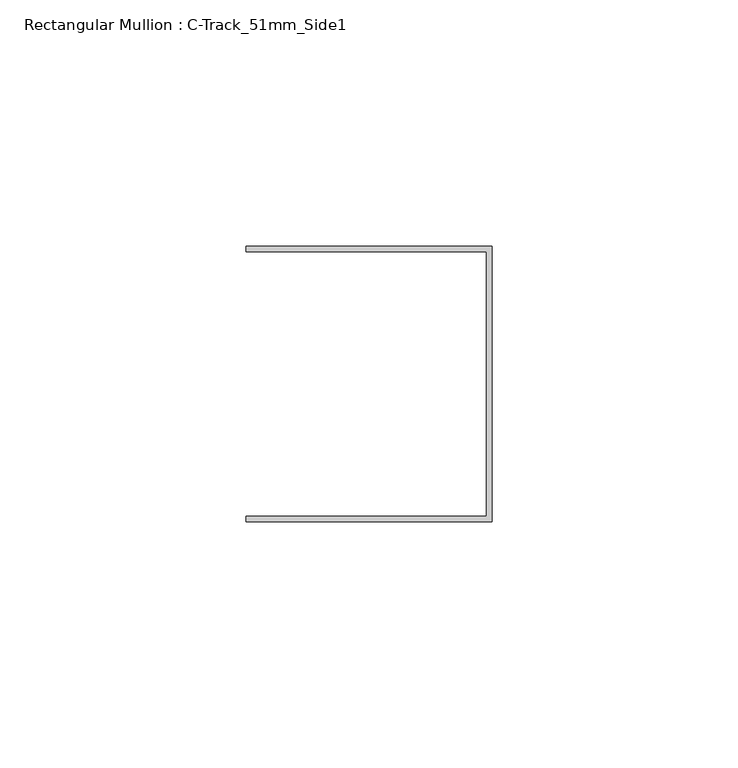
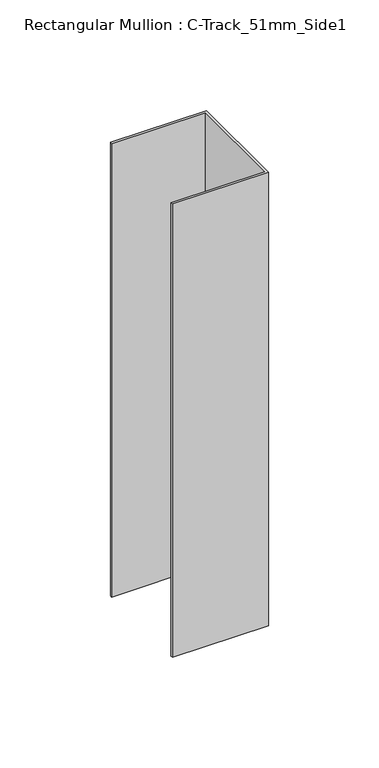
"""IFC4 building model written with IfcOpenShell, lengths in millimetres: member geometry, Rectangular Mullion : C-Track_51mm_Side1."""

import ifcopenshell
import ifcopenshell.guid

model = None  # the IFC model being written
_history = None  # IfcOwnerHistory: only IFC2X3 demands one
_inside = {}  # id of a spatial element -> (the spatial element, [elements in it])
_under = {}  # id of a project, library or spatial element -> (it, [spatial elements below it])
_declared = {}  # id of a project -> (the project, [libraries it declares])
_typed = {}  # id of a type object -> (the type object, [elements of that type])
_made_of = {}  # id of a material, layer set ... -> (it, [elements and type objects made of it])


def new_model(schema):
    """Start an empty IFC model of exactly this schema.

    Asked for "IFC4X3", IfcOpenShell would pick the latest addendum, in which some entities
    have other attributes; the version numbers below select the first issue.
    IFC2X3 requires an IfcOwnerHistory on every rooted entity: one is made here for all.
    """
    global model, _history
    if schema == "IFC4X3":
        model = ifcopenshell.file(schema_version=(4, 3, 0, 0))
    else:
        model = ifcopenshell.file(schema=schema)
    _inside.clear()
    _under.clear()
    _declared.clear()
    _typed.clear()
    _made_of.clear()
    _history = None
    if model.schema == "IFC2X3":
        org = make("IfcOrganization", Name="unknown")
        user = make(
            "IfcPersonAndOrganization",
            ThePerson=make("IfcPerson", FamilyName="unknown"),
            TheOrganization=org,
        )
        app = make(
            "IfcApplication",
            ApplicationDeveloper=org,
            Version="unknown",
            ApplicationFullName="unknown",
            ApplicationIdentifier="unknown",
        )
        _history = make(
            "IfcOwnerHistory",
            OwningUser=user,
            OwningApplication=app,
            ChangeAction="ADDED",
            CreationDate=0,
        )
    return model


def make(cls, **values):
    """One entity of the class cls with the attributes given. An attribute that is None is left unset."""
    return model.create_entity(
        cls, **{name: value for name, value in values.items() if value is not None}
    )


def rooted(cls, **values):
    """An entity with a GlobalId (a new one), such as an element, a storey or a relation."""
    return make(cls, GlobalId=ifcopenshell.guid.new(), OwnerHistory=_history, **values)


def si_unit(unit_type, name, prefix=None):
    """IfcSIUnit, for example si_unit("LENGTHUNIT", "METRE", prefix="MILLI")."""
    return make("IfcSIUnit", UnitType=unit_type, Prefix=prefix, Name=name)


def assignment(units):
    """IfcUnitAssignment: the units of a project."""
    return None if units is None else make("IfcUnitAssignment", Units=units)


def point(xyz):
    """IfcCartesianPoint."""
    return None if xyz is None else make("IfcCartesianPoint", Coordinates=xyz)


def direction(xyz):
    """IfcDirection."""
    return None if xyz is None else make("IfcDirection", DirectionRatios=xyz)


def frame(location, z_axis=None, x_axis=None):
    """IfcAxis2Placement3D, a coordinate frame: its origin and axes. An axis left out is left unset."""
    return make(
        "IfcAxis2Placement3D",
        Location=point(location),
        Axis=direction(z_axis),
        RefDirection=direction(x_axis),
    )


def origin():
    """The frame at (0, 0, 0) with its axes left unset."""
    return frame((0.0, 0.0, 0.0))


def place(relative_to, where):
    """IfcLocalPlacement: puts the frame where relative to a parent placement (None: the world)."""
    return make(
        "IfcLocalPlacement", PlacementRelTo=relative_to, RelativePlacement=where
    )


def context(
    kind, dimensions, precision=None, world=None, true_north=None, identifier=None
):
    """IfcGeometricRepresentationContext, for example the 3D "Model" context."""
    return make(
        "IfcGeometricRepresentationContext",
        ContextIdentifier=identifier,
        ContextType=kind,
        CoordinateSpaceDimension=dimensions,
        Precision=precision,
        WorldCoordinateSystem=world,
        TrueNorth=true_north,
    )


def project(units=None, contexts=None):
    """IfcProject with its units and contexts."""
    return rooted(
        "IfcProject",
        Name="project",
        RepresentationContexts=contexts,
        UnitsInContext=assignment(units),
    )


def spatial(cls, under=None, at=None, **own):
    """A site, building, storey or space (cls), placed at a placement, below another one or the project."""
    s = rooted(cls, ObjectPlacement=at, **own)
    if under is not None:
        _under.setdefault(under.id(), (under, []))[1].append(s)
    return s


def polyline(points):
    """IfcPolyline through the points."""
    return make("IfcPolyline", Points=[point(p) for p in points])


def outline(outer, holes=None, kind="AREA"):
    """IfcArbitraryClosedProfileDef: a profile drawn as a closed curve; with holes, ...WithVoids."""
    if holes is None:
        return make("IfcArbitraryClosedProfileDef", ProfileType=kind, OuterCurve=outer)
    return make(
        "IfcArbitraryProfileDefWithVoids",
        ProfileType=kind,
        OuterCurve=outer,
        InnerCurves=holes,
    )


def extrude(swept, where, along, depth):
    """IfcExtrudedAreaSolid: the profile swept, set in the frame where, extruded along a direction by depth."""
    return make(
        "IfcExtrudedAreaSolid",
        SweptArea=swept,
        Position=where,
        ExtrudedDirection=direction(along),
        Depth=depth,
    )


def shape(context_of_items, identifier, shape_type, items):
    """IfcShapeRepresentation: the items that make up one representation, for example the "Body"."""
    return make(
        "IfcShapeRepresentation",
        ContextOfItems=context_of_items,
        RepresentationIdentifier=identifier,
        RepresentationType=shape_type,
        Items=items,
    )


def source(mapping_origin, context_of_items, identifier, shape_type, items):
    """IfcRepresentationMap: a shape defined once, which mapped items show again and again."""
    return make(
        "IfcRepresentationMap",
        MappingOrigin=mapping_origin,
        MappedRepresentation=shape(context_of_items, identifier, shape_type, items),
    )


def transform(
    local_origin,
    x_axis=None,
    y_axis=None,
    z_axis=None,
    scale=None,
    scale2=None,
    scale3=None,
    uniform=True,
):
    """IfcCartesianTransformationOperator3D, or its non-uniform kind. x_axis, y_axis, z_axis: its Axis1, 2, 3."""
    if uniform:
        return make(
            "IfcCartesianTransformationOperator3D",
            Axis1=direction(x_axis),
            Axis2=direction(y_axis),
            LocalOrigin=point(local_origin),
            Scale=scale,
            Axis3=direction(z_axis),
        )
    return make(
        "IfcCartesianTransformationOperator3DnonUniform",
        Axis1=direction(x_axis),
        Axis2=direction(y_axis),
        LocalOrigin=point(local_origin),
        Scale=scale,
        Axis3=direction(z_axis),
        Scale2=scale2,
        Scale3=scale3,
    )


def mapped(mapping_source, mapping_target):
    """IfcMappedItem: shows the shape of a source again, moved by a transform."""
    return make(
        "IfcMappedItem", MappingSource=mapping_source, MappingTarget=mapping_target
    )


def made_of(thing, what):
    """Note that an element or type object is made of a material, layer set ...; save() writes the relation."""
    if what is not None:
        _made_of.setdefault(what.id(), (what, []))[1].append(thing)
    return thing


def element(
    cls,
    number,
    at=None,
    inside=None,
    cuts=None,
    type_object=None,
    material=None,
    context=None,
    identifier="Body",
    shape_type=None,
    held_by="IfcProductDefinitionShape",
    body=None,
    shapes=None,
    **own,
):
    """One element of the class cls, such as IfcWall. Its Tag is "e" and its number.

    at: its placement. inside: the storey or other place that contains it. cuts: it is an
    opening in that element (IfcRelVoidsElement). A single representation is given by context,
    identifier, shape_type and body (its items); several are given by shapes. held_by: the class
    of the entity that holds the representations. save() writes the other relations.
    """
    e = rooted(cls, Tag="e%d" % number, ObjectPlacement=at, **own)
    if body is not None:
        shapes = [shape(context, identifier, shape_type, body)]
    if shapes is not None:
        e.Representation = make(held_by, Representations=shapes)
    if inside is not None:
        _inside.setdefault(inside.id(), (inside, []))[1].append(e)
    if cuts is not None:
        rooted(
            "IfcRelVoidsElement", RelatingBuildingElement=cuts, RelatedOpeningElement=e
        )
    if type_object is not None:
        _typed.setdefault(type_object.id(), (type_object, []))[1].append(e)
    return made_of(e, material)


def aggregate(whole, parts):
    """IfcRelAggregates: a whole, such as a stair, and the parts it consists of."""
    return rooted("IfcRelAggregates", RelatingObject=whole, RelatedObjects=parts)


def save(model, path):
    """Write the relations noted so far, then the file.

    IfcRelAggregates (storeys below a building ...), IfcRelContainedInSpatialStructure (elements
    in a storey), IfcRelDefinesByType, IfcRelAssociatesMaterial and IfcRelDeclares: one each for
    every whole, place, type object, material and project.
    """
    for whole, parts in _under.values():
        aggregate(whole, parts)
    for where, things in _inside.values():
        rooted(
            "IfcRelContainedInSpatialStructure",
            RelatedElements=things,
            RelatingStructure=where,
        )
    for kind, things in _typed.values():
        rooted("IfcRelDefinesByType", RelatedObjects=things, RelatingType=kind)
    for what, things in _made_of.values():
        rooted("IfcRelAssociatesMaterial", RelatedObjects=things, RelatingMaterial=what)
    for by, libraries in _declared.values():
        rooted("IfcRelDeclares", RelatingContext=by, RelatedDefinitions=libraries)
    model.write(path)


def rectangular_mullion_c_track_51mm_side1_8e9dfa18(model_context):
    return source(origin(), model_context, "Body", "SweptSolid", [
        extrude(outline(polyline([(-1.15, 26.85), (-50.0, 26.85), (-50.0, 28.0), (0.0, 28.0), (0.0, -28.0), (-50.0, -28.0), (-50.0, -26.85), (-1.15, -26.85), (-1.15, 26.85)])), frame((0.0, 0.0, -250.0000003), z_axis=(0.0, 0.0, 1.0), x_axis=(1.0, 0.0, 0.0)), (0.0, 0.0, 1.0), 250.0000003),
    ])


if __name__ == "__main__":
    model = new_model("IFC4")
    model_context = context("Model", 3, world=origin())
    ifc_project = project(units=[si_unit("LENGTHUNIT", "METRE", prefix="MILLI")], contexts=[model_context])
    site = spatial("IfcSite", under=ifc_project)
    building = spatial("IfcBuilding", under=site)
    placement = place(None, origin())
    rectangular_mullion_c_track_51mm_side1_shape = rectangular_mullion_c_track_51mm_side1_8e9dfa18(model_context)
    element("IfcMember", 1, ObjectType="Rectangular Mullion : C-Track_51mm_Side1", at=placement, inside=building, context=model_context, shape_type="MappedRepresentation", body=[
        mapped(rectangular_mullion_c_track_51mm_side1_shape, transform((0.0, 0.0, 0.0), x_axis=(1.0, 0.0, 0.0), y_axis=(0.0, 1.0, 0.0), z_axis=(0.0, 0.0, 1.0))),
    ])
    save(model, "model.ifc")
